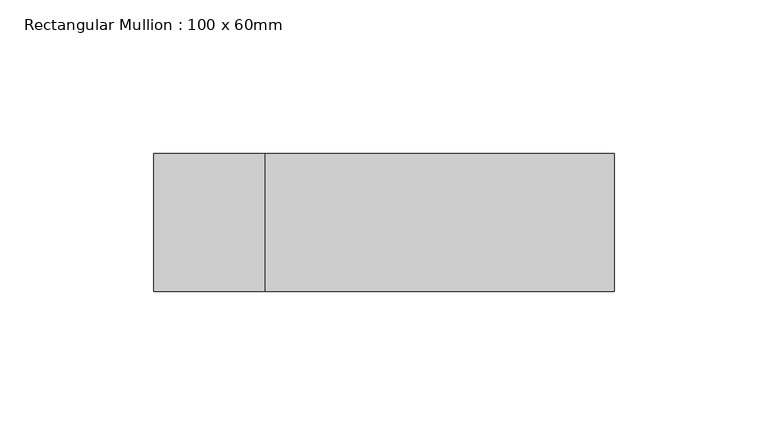
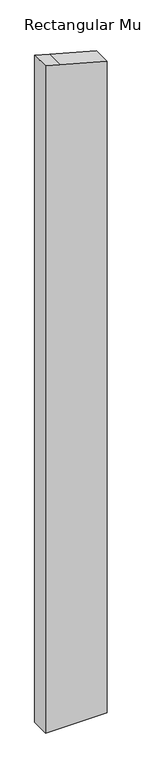
"""IFC4 building model written with IfcOpenShell, lengths in millimetres: member geometry, Rectangular Mullion : 100 x 60mm."""

from ifc_helpers import new_model, si_unit, frame, origin, place, context, project, spatial, polyline, outline, extrude, source, transform, mapped, element, save


def rectangular_mullion_100_x_60mm_dd93306d(model_context):
    return source(origin(), model_context, "Body", "SweptSolid", [
        extrude(outline(polyline([(-175.3876165, 75.0), (-144.8888739, -38.8228568), (-135.1952376, -75.0), (-1849.3122117, -75.0), (-1849.3122117, 75.0), (-175.3876165, 75.0)])), frame((0.0, -30.0, 0.0), z_axis=(0.0, 1.0, 0.0), x_axis=(0.0, 0.0, 1.0)), (0.0, 0.0, 1.0), 45.0),
    ])


if __name__ == "__main__":
    model = new_model("IFC4")
    model_context = context("Model", 3, world=origin())
    ifc_project = project(units=[si_unit("LENGTHUNIT", "METRE", prefix="MILLI")], contexts=[model_context])
    site = spatial("IfcSite", under=ifc_project)
    building = spatial("IfcBuilding", under=site)
    placement = place(None, origin())
    rectangular_mullion_100_x_60mm_shape = rectangular_mullion_100_x_60mm_dd93306d(model_context)
    element("IfcMember", 1, ObjectType="Rectangular Mullion : 100 x 60mm", at=placement, inside=building, context=model_context, shape_type="MappedRepresentation", body=[
        mapped(rectangular_mullion_100_x_60mm_shape, transform((0.0, 0.0, 0.0), x_axis=(1.0, 0.0, 0.0), y_axis=(0.0, 1.0, 0.0), z_axis=(0.0, 0.0, 1.0))),
    ])
    save(model, "model.ifc")
